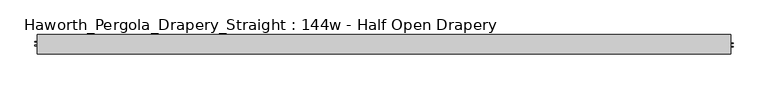
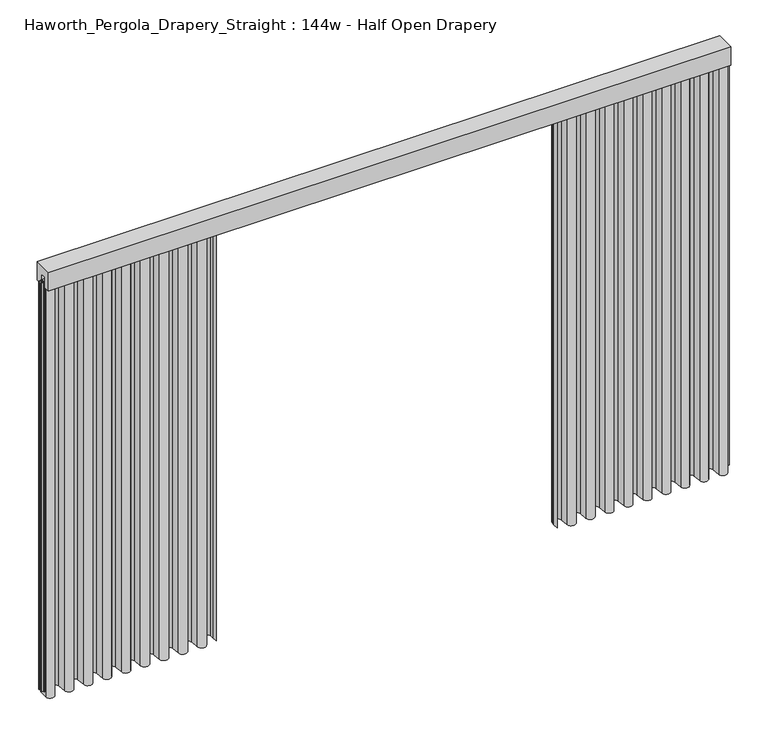
"""IFC4 building model written with IfcOpenShell, lengths in millimetres: furniture geometry, Haworth_Pergola_Drapery_Straight : 144w - Half Open Drapery."""

from ifc_helpers import new_model, si_unit, point, frame, frame_2d, origin, place, context, project, spatial, polyline, circle_curve, trimmed, segment, composite_curve, outline, extrude, source, transform, mapped, element, save


def haworth_pergola_drapery_straight_144w_half_open_drapery_b4fdcbc4(model_context):
    return source(origin(), model_context, "Body", "SweptSolid", [
        extrude(outline(polyline([(-50.8, 2438.4), (50.8, 2438.4), (50.8, 2331.8390625), (15.2182948, 2331.8390625), (15.2182948, 2388.7001663), (-15.2182948, 2388.7001663), (-15.2182948, 2331.8390625), (-50.8, 2331.8390625), (-50.8, 2438.4)])), frame((-1790.7, 0.0, 0.0), z_axis=(1.0, 0.0, 0.0), x_axis=(0.0, 1.0, 0.0)), (0.0, 0.0, 1.0), 3657.6),
        extrude(outline(composite_curve([segment(trimmed(circle_curve(frame_2d((1841.4970217, -20.9840165)), 23.4029783), [point((1864.9, -20.9840165))], [point((1818.1892377, -23.0927114))], False, "CARTESIAN"), True, "CONTINUOUS"), segment(polyline([(1818.1892377, -23.0927114), (1813.9895802, 23.3268581)]), True, "CONTINUOUS"), segment(trimmed(circle_curve(frame_2d((1790.7, 21.2198101)), 23.3847), [point((1813.9895802, 23.3268581))], [point((1767.4104196, 23.3268558))], True, "CARTESIAN"), True, "CONTINUOUS"), segment(polyline([(1767.4104196, 23.3268558), (1763.2203818, -22.9864352)]), True, "CONTINUOUS"), segment(trimmed(circle_curve(frame_2d((1739.9000023, -20.876603)), 23.415625), [point((1763.2203818, -22.9864352))], [point((1716.5796229, -22.9864375))], False, "CARTESIAN"), True, "CONTINUOUS"), segment(polyline([(1716.5796229, -22.9864375), (1712.4203794, 22.986429)]), True, "CONTINUOUS"), segment(trimmed(circle_curve(frame_2d((1689.1, 20.8765946)), 23.415625), [point((1712.4203794, 22.986429))], [point((1665.7796205, 22.9864268))], True, "CARTESIAN"), True, "CONTINUOUS"), segment(polyline([(1665.7796205, 22.9864268), (1661.6203818, -22.9864354)]), True, "CONTINUOUS"), segment(trimmed(circle_curve(frame_2d((1638.3000023, -20.8766032)), 23.415625), [point((1661.6203818, -22.9864354))], [point((1614.9796229, -22.9864377))], False, "CARTESIAN"), True, "CONTINUOUS"), segment(polyline([(1614.9796229, -22.9864377), (1610.8203794, 22.9864294)]), True, "CONTINUOUS"), segment(trimmed(circle_curve(frame_2d((1587.5, 20.876595)), 23.415625), [point((1610.8203794, 22.9864294))], [point((1564.1796205, 22.9864271))], True, "CARTESIAN"), True, "CONTINUOUS"), segment(polyline([(1564.1796205, 22.9864271), (1560.0203818, -22.9864352)]), True, "CONTINUOUS"), segment(trimmed(circle_curve(frame_2d((1536.7000023, -20.876603)), 23.415625), [point((1560.0203818, -22.9864352))], [point((1513.3796229, -22.9864375))], False, "CARTESIAN"), True, "CONTINUOUS"), segment(polyline([(1513.3796229, -22.9864375), (1509.1895802, 23.3268581)]), True, "CONTINUOUS"), segment(trimmed(circle_curve(frame_2d((1485.9, 21.2198101)), 23.3847), [point((1509.1895802, 23.3268581))], [point((1462.6104196, 23.3268558))], True, "CARTESIAN"), True, "CONTINUOUS"), segment(polyline([(1462.6104196, 23.3268558), (1458.4203818, -22.9864352)]), True, "CONTINUOUS"), segment(trimmed(circle_curve(frame_2d((1435.1000023, -20.876603)), 23.415625), [point((1458.4203818, -22.9864352))], [point((1411.7796229, -22.9864375))], False, "CARTESIAN"), True, "CONTINUOUS"), segment(polyline([(1411.7796229, -22.9864375), (1407.5895802, 23.3268581)]), True, "CONTINUOUS"), segment(trimmed(circle_curve(frame_2d((1384.3, 21.2198101)), 23.3847), [point((1407.5895802, 23.3268581))], [point((1361.0104196, 23.3268558))], True, "CARTESIAN"), True, "CONTINUOUS"), segment(polyline([(1361.0104196, 23.3268558), (1356.8203818, -22.9864352)]), True, "CONTINUOUS"), segment(trimmed(circle_curve(frame_2d((1333.5000023, -20.876603)), 23.415625), [point((1356.8203818, -22.9864352))], [point((1310.1796229, -22.9864375))], False, "CARTESIAN"), True, "CONTINUOUS"), segment(polyline([(1310.1796229, -22.9864375), (1305.9895802, 23.3268581)]), True, "CONTINUOUS"), segment(trimmed(circle_curve(frame_2d((1282.7, 21.2198101)), 23.3847), [point((1305.9895802, 23.3268581))], [point((1259.4104196, 23.3268558))], True, "CARTESIAN"), True, "CONTINUOUS"), segment(polyline([(1259.4104196, 23.3268558), (1255.2203818, -22.9864352)]), True, "CONTINUOUS"), segment(trimmed(circle_curve(frame_2d((1231.9000023, -20.876603)), 23.415625), [point((1255.2203818, -22.9864352))], [point((1208.5796229, -22.9864375))], False, "CARTESIAN"), True, "CONTINUOUS"), segment(polyline([(1208.5796229, -22.9864375), (1204.3895802, 23.3268581)]), True, "CONTINUOUS"), segment(trimmed(circle_curve(frame_2d((1181.1, 21.2198101)), 23.3847), [point((1204.3895802, 23.3268581))], [point((1157.8104196, 23.3268558))], True, "CARTESIAN"), True, "CONTINUOUS"), segment(polyline([(1157.8104196, 23.3268558), (1153.6203818, -22.9864352)]), True, "CONTINUOUS"), segment(trimmed(circle_curve(frame_2d((1130.3000023, -20.876603)), 23.415625), [point((1153.6203818, -22.9864352))], [point((1106.9796229, -22.9864375))], False, "CARTESIAN"), True, "CONTINUOUS"), segment(polyline([(1106.9796229, -22.9864375), (1102.7895802, 23.3268581)]), True, "CONTINUOUS"), segment(trimmed(circle_curve(frame_2d((1079.5, 21.2198101)), 23.3847), [point((1102.7895802, 23.3268581))], [point((1056.2104196, 23.3268558))], True, "CARTESIAN"), True, "CONTINUOUS"), segment(polyline([(1056.2104196, 23.3268558), (1052.0203818, -22.9864352)]), True, "CONTINUOUS"), segment(trimmed(circle_curve(frame_2d((1028.7000023, -20.876603)), 23.415625), [point((1052.0203818, -22.9864352))], [point((1005.3796229, -22.9864375))], False, "CARTESIAN"), True, "CONTINUOUS"), segment(polyline([(1005.3796229, -22.9864375), (1001.1895802, 23.3268581)]), True, "CONTINUOUS"), segment(trimmed(circle_curve(frame_2d((977.9, 21.2198101)), 23.3847), [point((1001.1895802, 23.3268581))], [point((954.6104196, 23.3268558))], True, "CARTESIAN"), True, "CONTINUOUS"), segment(polyline([(954.6104196, 23.3268558), (952.9308594, 4.7623547), (952.9308594, -25.4000007), (952.1371094, -25.4000007), (952.1371094, 4.7981874), (953.8198983, 23.3983756)]), True, "CONTINUOUS"), segment(trimmed(circle_curve(frame_2d((977.9, 21.2198101)), 24.17845), [point((953.8198983, 23.3983756))], [point((1001.9801015, 23.3983779))], False, "CARTESIAN"), True, "CONTINUOUS"), segment(polyline([(1001.9801015, 23.3983779), (1006.1701443, -22.9149177)]), True, "CONTINUOUS"), segment(trimmed(circle_curve(frame_2d((1028.7000023, -20.876603)), 22.621875), [point((1006.1701443, -22.9149177))], [point((1051.2298605, -22.9149155))], True, "CARTESIAN"), True, "CONTINUOUS"), segment(polyline([(1051.2298605, -22.9149155), (1055.4198983, 23.3983756)]), True, "CONTINUOUS"), segment(trimmed(circle_curve(frame_2d((1079.5, 21.2198101)), 24.17845), [point((1055.4198983, 23.3983756))], [point((1103.5801015, 23.3983779))], False, "CARTESIAN"), True, "CONTINUOUS"), segment(polyline([(1103.5801015, 23.3983779), (1107.7701443, -22.9149177)]), True, "CONTINUOUS"), segment(trimmed(circle_curve(frame_2d((1130.3000023, -20.876603)), 22.621875), [point((1107.7701443, -22.9149177))], [point((1152.8298605, -22.9149155))], True, "CARTESIAN"), True, "CONTINUOUS"), segment(polyline([(1152.8298605, -22.9149155), (1157.0198983, 23.3983756)]), True, "CONTINUOUS"), segment(trimmed(circle_curve(frame_2d((1181.1, 21.2198101)), 24.17845), [point((1157.0198983, 23.3983756))], [point((1205.1801015, 23.3983779))], False, "CARTESIAN"), True, "CONTINUOUS"), segment(polyline([(1205.1801015, 23.3983779), (1209.3701443, -22.9149177)]), True, "CONTINUOUS"), segment(trimmed(circle_curve(frame_2d((1231.9000023, -20.876603)), 22.621875), [point((1209.3701443, -22.9149177))], [point((1254.4298605, -22.9149155))], True, "CARTESIAN"), True, "CONTINUOUS"), segment(polyline([(1254.4298605, -22.9149155), (1258.6198983, 23.3983756)]), True, "CONTINUOUS"), segment(trimmed(circle_curve(frame_2d((1282.7, 21.2198101)), 24.17845), [point((1258.6198983, 23.3983756))], [point((1306.7801015, 23.3983779))], False, "CARTESIAN"), True, "CONTINUOUS"), segment(polyline([(1306.7801015, 23.3983779), (1310.9701443, -22.9149177)]), True, "CONTINUOUS"), segment(trimmed(circle_curve(frame_2d((1333.5000023, -20.876603)), 22.621875), [point((1310.9701443, -22.9149177))], [point((1356.0298605, -22.9149155))], True, "CARTESIAN"), True, "CONTINUOUS"), segment(polyline([(1356.0298605, -22.9149155), (1360.2198983, 23.3983756)]), True, "CONTINUOUS"), segment(trimmed(circle_curve(frame_2d((1384.3, 21.2198101)), 24.17845), [point((1360.2198983, 23.3983756))], [point((1408.3801015, 23.3983779))], False, "CARTESIAN"), True, "CONTINUOUS"), segment(polyline([(1408.3801015, 23.3983779), (1412.5701443, -22.9149177)]), True, "CONTINUOUS"), segment(trimmed(circle_curve(frame_2d((1435.1000023, -20.876603)), 22.621875), [point((1412.5701443, -22.9149177))], [point((1457.6298605, -22.9149155))], True, "CARTESIAN"), True, "CONTINUOUS"), segment(polyline([(1457.6298605, -22.9149155), (1461.8198983, 23.3983756)]), True, "CONTINUOUS"), segment(trimmed(circle_curve(frame_2d((1485.9, 21.2198101)), 24.17845), [point((1461.8198983, 23.3983756))], [point((1509.9801015, 23.3983779))], False, "CARTESIAN"), True, "CONTINUOUS"), segment(polyline([(1509.9801015, 23.3983779), (1514.1701443, -22.9149177)]), True, "CONTINUOUS"), segment(trimmed(circle_curve(frame_2d((1536.7000023, -20.876603)), 22.621875), [point((1514.1701443, -22.9149177))], [point((1559.2298605, -22.9149155))], True, "CARTESIAN"), True, "CONTINUOUS"), segment(polyline([(1559.2298605, -22.9149155), (1563.3890991, 23.0579469)]), True, "CONTINUOUS"), segment(trimmed(circle_curve(frame_2d((1587.5, 20.876595)), 24.209375), [point((1563.3890991, 23.0579469))], [point((1611.6109007, 23.0579492))], False, "CARTESIAN"), True, "CONTINUOUS"), segment(polyline([(1611.6109007, 23.0579492), (1615.7701443, -22.9149178)]), True, "CONTINUOUS"), segment(trimmed(circle_curve(frame_2d((1638.3000023, -20.8766032)), 22.621875), [point((1615.7701443, -22.9149178))], [point((1660.8298605, -22.9149157))], True, "CARTESIAN"), True, "CONTINUOUS"), segment(polyline([(1660.8298605, -22.9149157), (1664.9890991, 23.0579465)]), True, "CONTINUOUS"), segment(trimmed(circle_curve(frame_2d((1689.1, 20.8765946)), 24.209375), [point((1664.9890991, 23.0579465))], [point((1713.2109007, 23.0579488))], False, "CARTESIAN"), True, "CONTINUOUS"), segment(polyline([(1713.2109007, 23.0579488), (1717.3701443, -22.9149177)]), True, "CONTINUOUS"), segment(trimmed(circle_curve(frame_2d((1739.9000023, -20.876603)), 22.621875), [point((1717.3701443, -22.9149177))], [point((1762.4298605, -22.9149155))], True, "CARTESIAN"), True, "CONTINUOUS"), segment(polyline([(1762.4298605, -22.9149155), (1766.6198983, 23.3983756)]), True, "CONTINUOUS"), segment(trimmed(circle_curve(frame_2d((1790.7, 21.2198101)), 24.17845), [point((1766.6198983, 23.3983756))], [point((1814.7801015, 23.3983779))], False, "CARTESIAN"), True, "CONTINUOUS"), segment(polyline([(1814.7801015, 23.3983779), (1818.979759, -23.0211916)]), True, "CONTINUOUS"), segment(trimmed(circle_curve(frame_2d((1841.4970217, -20.9840165)), 22.6092283), [point((1818.979759, -23.0211916))], [point((1864.10625, -20.9840165))], True, "CARTESIAN"), True, "CONTINUOUS"), segment(polyline([(1864.10625, -20.9840165), (1864.10625, 25.4000008), (1864.9, 25.4000008), (1864.9, -20.9840165)]), True, "CONTINUOUS")], self_intersect=False)), frame((0.0, 0.0, 12.7), z_axis=(0.0, 0.0, 1.0), x_axis=(1.0, 0.0, 0.0)), (0.0, 0.0, 1.0), 2343.15),
        extrude(outline(composite_curve([segment(polyline([(-1788.7, -20.9840165), (-1788.7, 25.4000008), (-1787.90625, 25.4000008), (-1787.90625, -20.9840165)]), True, "CONTINUOUS"), segment(trimmed(circle_curve(frame_2d((-1765.2970217, -20.9840165)), 22.6092283), [point((-1787.90625, -20.9840165))], [point((-1742.779759, -23.0211916))], True, "CARTESIAN"), True, "CONTINUOUS"), segment(polyline([(-1742.779759, -23.0211916), (-1738.5801015, 23.3983779)]), True, "CONTINUOUS"), segment(trimmed(circle_curve(frame_2d((-1714.5, 21.2198101)), 24.17845), [point((-1738.5801015, 23.3983779))], [point((-1690.4198983, 23.3983756))], False, "CARTESIAN"), True, "CONTINUOUS"), segment(polyline([(-1690.4198983, 23.3983756), (-1686.2298605, -22.9149155)]), True, "CONTINUOUS"), segment(trimmed(circle_curve(frame_2d((-1663.7000023, -20.876603)), 22.621875), [point((-1686.2298605, -22.9149155))], [point((-1641.1701443, -22.9149177))], True, "CARTESIAN"), True, "CONTINUOUS"), segment(polyline([(-1641.1701443, -22.9149177), (-1637.0109007, 23.0579488)]), True, "CONTINUOUS"), segment(trimmed(circle_curve(frame_2d((-1612.9, 20.8765946)), 24.209375), [point((-1637.0109007, 23.0579488))], [point((-1588.7890991, 23.0579465))], False, "CARTESIAN"), True, "CONTINUOUS"), segment(polyline([(-1588.7890991, 23.0579465), (-1584.6298605, -22.9149157)]), True, "CONTINUOUS"), segment(trimmed(circle_curve(frame_2d((-1562.1000023, -20.8766032)), 22.621875), [point((-1584.6298605, -22.9149157))], [point((-1539.5701443, -22.9149178))], True, "CARTESIAN"), True, "CONTINUOUS"), segment(polyline([(-1539.5701443, -22.9149178), (-1535.4109007, 23.0579492)]), True, "CONTINUOUS"), segment(trimmed(circle_curve(frame_2d((-1511.3, 20.876595)), 24.209375), [point((-1535.4109007, 23.0579492))], [point((-1487.1890991, 23.0579469))], False, "CARTESIAN"), True, "CONTINUOUS"), segment(polyline([(-1487.1890991, 23.0579469), (-1483.0298605, -22.9149155)]), True, "CONTINUOUS"), segment(trimmed(circle_curve(frame_2d((-1460.5000023, -20.876603)), 22.621875), [point((-1483.0298605, -22.9149155))], [point((-1437.9701443, -22.9149177))], True, "CARTESIAN"), True, "CONTINUOUS"), segment(polyline([(-1437.9701443, -22.9149177), (-1433.7801015, 23.3983779)]), True, "CONTINUOUS"), segment(trimmed(circle_curve(frame_2d((-1409.7, 21.2198101)), 24.17845), [point((-1433.7801015, 23.3983779))], [point((-1385.6198983, 23.3983756))], False, "CARTESIAN"), True, "CONTINUOUS"), segment(polyline([(-1385.6198983, 23.3983756), (-1381.4298605, -22.9149155)]), True, "CONTINUOUS"), segment(trimmed(circle_curve(frame_2d((-1358.9000023, -20.876603)), 22.621875), [point((-1381.4298605, -22.9149155))], [point((-1336.3701443, -22.9149177))], True, "CARTESIAN"), True, "CONTINUOUS"), segment(polyline([(-1336.3701443, -22.9149177), (-1332.1801015, 23.3983779)]), True, "CONTINUOUS"), segment(trimmed(circle_curve(frame_2d((-1308.1, 21.2198101)), 24.17845), [point((-1332.1801015, 23.3983779))], [point((-1284.0198983, 23.3983756))], False, "CARTESIAN"), True, "CONTINUOUS"), segment(polyline([(-1284.0198983, 23.3983756), (-1279.8298605, -22.9149155)]), True, "CONTINUOUS"), segment(trimmed(circle_curve(frame_2d((-1257.3000023, -20.876603)), 22.621875), [point((-1279.8298605, -22.9149155))], [point((-1234.7701443, -22.9149177))], True, "CARTESIAN"), True, "CONTINUOUS"), segment(polyline([(-1234.7701443, -22.9149177), (-1230.5801015, 23.3983779)]), True, "CONTINUOUS"), segment(trimmed(circle_curve(frame_2d((-1206.5, 21.2198101)), 24.17845), [point((-1230.5801015, 23.3983779))], [point((-1182.4198983, 23.3983756))], False, "CARTESIAN"), True, "CONTINUOUS"), segment(polyline([(-1182.4198983, 23.3983756), (-1178.2298605, -22.9149155)]), True, "CONTINUOUS"), segment(trimmed(circle_curve(frame_2d((-1155.7000023, -20.876603)), 22.621875), [point((-1178.2298605, -22.9149155))], [point((-1133.1701443, -22.9149177))], True, "CARTESIAN"), True, "CONTINUOUS"), segment(polyline([(-1133.1701443, -22.9149177), (-1128.9801015, 23.3983779)]), True, "CONTINUOUS"), segment(trimmed(circle_curve(frame_2d((-1104.9, 21.2198101)), 24.17845), [point((-1128.9801015, 23.3983779))], [point((-1080.8198983, 23.3983756))], False, "CARTESIAN"), True, "CONTINUOUS"), segment(polyline([(-1080.8198983, 23.3983756), (-1076.6298605, -22.9149155)]), True, "CONTINUOUS"), segment(trimmed(circle_curve(frame_2d((-1054.1000023, -20.876603)), 22.621875), [point((-1076.6298605, -22.9149155))], [point((-1031.5701443, -22.9149177))], True, "CARTESIAN"), True, "CONTINUOUS"), segment(polyline([(-1031.5701443, -22.9149177), (-1027.3801015, 23.3983779)]), True, "CONTINUOUS"), segment(trimmed(circle_curve(frame_2d((-1003.3, 21.2198101)), 24.17845), [point((-1027.3801015, 23.3983779))], [point((-979.2198983, 23.3983756))], False, "CARTESIAN"), True, "CONTINUOUS"), segment(polyline([(-979.2198983, 23.3983756), (-975.0298605, -22.9149155)]), True, "CONTINUOUS"), segment(trimmed(circle_curve(frame_2d((-952.5000023, -20.876603)), 22.621875), [point((-975.0298605, -22.9149155))], [point((-929.9701443, -22.9149177))], True, "CARTESIAN"), True, "CONTINUOUS"), segment(polyline([(-929.9701443, -22.9149177), (-925.7801015, 23.3983779)]), True, "CONTINUOUS"), segment(trimmed(circle_curve(frame_2d((-901.7, 21.2198101)), 24.17845), [point((-925.7801015, 23.3983779))], [point((-877.6198983, 23.3983756))], False, "CARTESIAN"), True, "CONTINUOUS"), segment(polyline([(-877.6198983, 23.3983756), (-875.9371094, 4.7981874), (-875.9371094, -25.4000007), (-876.7308594, -25.4000007), (-876.7308594, 4.7623547), (-878.4104196, 23.3268558)]), True, "CONTINUOUS"), segment(trimmed(circle_curve(frame_2d((-901.7, 21.2198101)), 23.3847), [point((-878.4104196, 23.3268558))], [point((-924.9895802, 23.3268581))], True, "CARTESIAN"), True, "CONTINUOUS"), segment(polyline([(-924.9895802, 23.3268581), (-929.1796229, -22.9864375)]), True, "CONTINUOUS"), segment(trimmed(circle_curve(frame_2d((-952.5000023, -20.876603)), 23.415625), [point((-929.1796229, -22.9864375))], [point((-975.8203818, -22.9864352))], False, "CARTESIAN"), True, "CONTINUOUS"), segment(polyline([(-975.8203818, -22.9864352), (-980.0104196, 23.3268558)]), True, "CONTINUOUS"), segment(trimmed(circle_curve(frame_2d((-1003.3, 21.2198101)), 23.3847), [point((-980.0104196, 23.3268558))], [point((-1026.5895802, 23.3268581))], True, "CARTESIAN"), True, "CONTINUOUS"), segment(polyline([(-1026.5895802, 23.3268581), (-1030.7796229, -22.9864375)]), True, "CONTINUOUS"), segment(trimmed(circle_curve(frame_2d((-1054.1000023, -20.876603)), 23.415625), [point((-1030.7796229, -22.9864375))], [point((-1077.4203818, -22.9864352))], False, "CARTESIAN"), True, "CONTINUOUS"), segment(polyline([(-1077.4203818, -22.9864352), (-1081.6104196, 23.3268558)]), True, "CONTINUOUS"), segment(trimmed(circle_curve(frame_2d((-1104.9, 21.2198101)), 23.3847), [point((-1081.6104196, 23.3268558))], [point((-1128.1895802, 23.3268581))], True, "CARTESIAN"), True, "CONTINUOUS"), segment(polyline([(-1128.1895802, 23.3268581), (-1132.3796229, -22.9864375)]), True, "CONTINUOUS"), segment(trimmed(circle_curve(frame_2d((-1155.7000023, -20.876603)), 23.415625), [point((-1132.3796229, -22.9864375))], [point((-1179.0203818, -22.9864352))], False, "CARTESIAN"), True, "CONTINUOUS"), segment(polyline([(-1179.0203818, -22.9864352), (-1183.2104196, 23.3268558)]), True, "CONTINUOUS"), segment(trimmed(circle_curve(frame_2d((-1206.5, 21.2198101)), 23.3847), [point((-1183.2104196, 23.3268558))], [point((-1229.7895802, 23.3268581))], True, "CARTESIAN"), True, "CONTINUOUS"), segment(polyline([(-1229.7895802, 23.3268581), (-1233.9796229, -22.9864375)]), True, "CONTINUOUS"), segment(trimmed(circle_curve(frame_2d((-1257.3000023, -20.876603)), 23.415625), [point((-1233.9796229, -22.9864375))], [point((-1280.6203818, -22.9864352))], False, "CARTESIAN"), True, "CONTINUOUS"), segment(polyline([(-1280.6203818, -22.9864352), (-1284.8104196, 23.3268558)]), True, "CONTINUOUS"), segment(trimmed(circle_curve(frame_2d((-1308.1, 21.2198101)), 23.3847), [point((-1284.8104196, 23.3268558))], [point((-1331.3895802, 23.3268581))], True, "CARTESIAN"), True, "CONTINUOUS"), segment(polyline([(-1331.3895802, 23.3268581), (-1335.5796229, -22.9864375)]), True, "CONTINUOUS"), segment(trimmed(circle_curve(frame_2d((-1358.9000023, -20.876603)), 23.415625), [point((-1335.5796229, -22.9864375))], [point((-1382.2203818, -22.9864352))], False, "CARTESIAN"), True, "CONTINUOUS"), segment(polyline([(-1382.2203818, -22.9864352), (-1386.4104196, 23.3268558)]), True, "CONTINUOUS"), segment(trimmed(circle_curve(frame_2d((-1409.7, 21.2198101)), 23.3847), [point((-1386.4104196, 23.3268558))], [point((-1432.9895802, 23.3268581))], True, "CARTESIAN"), True, "CONTINUOUS"), segment(polyline([(-1432.9895802, 23.3268581), (-1437.1796229, -22.9864375)]), True, "CONTINUOUS"), segment(trimmed(circle_curve(frame_2d((-1460.5000023, -20.876603)), 23.415625), [point((-1437.1796229, -22.9864375))], [point((-1483.8203818, -22.9864352))], False, "CARTESIAN"), True, "CONTINUOUS"), segment(polyline([(-1483.8203818, -22.9864352), (-1487.9796205, 22.9864271)]), True, "CONTINUOUS"), segment(trimmed(circle_curve(frame_2d((-1511.3, 20.876595)), 23.415625), [point((-1487.9796205, 22.9864271))], [point((-1534.6203794, 22.9864294))], True, "CARTESIAN"), True, "CONTINUOUS"), segment(polyline([(-1534.6203794, 22.9864294), (-1538.7796229, -22.9864377)]), True, "CONTINUOUS"), segment(trimmed(circle_curve(frame_2d((-1562.1000023, -20.8766032)), 23.415625), [point((-1538.7796229, -22.9864377))], [point((-1585.4203818, -22.9864354))], False, "CARTESIAN"), True, "CONTINUOUS"), segment(polyline([(-1585.4203818, -22.9864354), (-1589.5796205, 22.9864268)]), True, "CONTINUOUS"), segment(trimmed(circle_curve(frame_2d((-1612.9, 20.8765946)), 23.415625), [point((-1589.5796205, 22.9864268))], [point((-1636.2203794, 22.986429))], True, "CARTESIAN"), True, "CONTINUOUS"), segment(polyline([(-1636.2203794, 22.986429), (-1640.3796229, -22.9864375)]), True, "CONTINUOUS"), segment(trimmed(circle_curve(frame_2d((-1663.7000023, -20.876603)), 23.415625), [point((-1640.3796229, -22.9864375))], [point((-1687.0203818, -22.9864352))], False, "CARTESIAN"), True, "CONTINUOUS"), segment(polyline([(-1687.0203818, -22.9864352), (-1691.2104196, 23.3268558)]), True, "CONTINUOUS"), segment(trimmed(circle_curve(frame_2d((-1714.5, 21.2198101)), 23.3847), [point((-1691.2104196, 23.3268558))], [point((-1737.7895802, 23.3268581))], True, "CARTESIAN"), True, "CONTINUOUS"), segment(polyline([(-1737.7895802, 23.3268581), (-1741.9892377, -23.0927114)]), True, "CONTINUOUS"), segment(trimmed(circle_curve(frame_2d((-1765.2970217, -20.9840165)), 23.4029783), [point((-1741.9892377, -23.0927114))], [point((-1788.7, -20.9840165))], False, "CARTESIAN"), True, "CONTINUOUS")], self_intersect=False)), frame((0.0, 0.0, 12.7), z_axis=(0.0, 0.0, 1.0), x_axis=(1.0, 0.0, 0.0)), (0.0, 0.0, 1.0), 2343.15),
        extrude(outline(polyline([(-1790.7, -15.2249995), (-1790.7, 15.2249996), (1866.9, 15.2249996), (1866.9, -15.2249995), (-1790.7, -15.2249995)])), frame((0.0, 0.0, 2355.85), z_axis=(0.0, 0.0, 1.0), x_axis=(1.0, 0.0, 0.0)), (0.0, 0.0, 1.0), 1.7500385),
        extrude(outline(polyline([(1866.9, -15.2249996), (1866.9, 15.2249995), (1868.6500001, 15.2249995), (1868.6500001, 7.8249998), (1880.2999997, 7.8249998), (1880.2999997, 4.8250001), (1868.6500001, 4.8250001), (1868.6500001, -11.8250005), (1880.1499997, -11.8250005), (1880.1499997, -13.3999997), (1868.6500001, -13.3999997), (1868.6500001, -15.2249996), (1866.9, -15.2249996)])), frame((0.0, 0.0, 38.1), z_axis=(0.0, 0.0, 1.0), x_axis=(1.0, 0.0, 0.0)), (0.0, 0.0, 1.0), 2317.75),
        extrude(outline(polyline([(-1790.7, 15.2249996), (-1790.7, -15.2249995), (-1792.4500001, -15.2249995), (-1792.4500001, -7.8249998), (-1804.0999997, -7.8249998), (-1804.0999997, -4.8250001), (-1792.4500001, -4.8250001), (-1792.4500001, 11.8250005), (-1803.9499997, 11.8250005), (-1803.9499997, 13.3999997), (-1792.4500001, 13.3999997), (-1792.4500001, 15.2249996), (-1790.7, 15.2249996)])), frame((0.0, 0.0, 38.1), z_axis=(0.0, 0.0, 1.0), x_axis=(1.0, 0.0, 0.0)), (0.0, 0.0, 1.0), 2317.75),
        extrude(outline(composite_curve([segment(trimmed(circle_curve(frame_2d((38.1000001, 1e-07)), 6.0), [point((32.1000001, 1e-07))], [point((44.1000001, 1e-07))], False, "CARTESIAN"), True, "CONTINUOUS"), segment(trimmed(circle_curve(frame_2d((38.1000001, 1e-07)), 6.0), [point((44.1000001, 1e-07))], [point((32.1000001, 1e-07))], False, "CARTESIAN"), True, "CONTINUOUS")], self_intersect=False)), frame((0.0, 0.0, 2319.1390625), z_axis=(0.0, 0.0, 1.0), x_axis=(1.0, 0.0, 0.0)), (0.0, 0.0, 1.0), 36.7109375),
    ])


if __name__ == "__main__":
    model = new_model("IFC4")
    model_context = context("Model", 3, world=origin())
    ifc_project = project(units=[si_unit("LENGTHUNIT", "METRE", prefix="MILLI")], contexts=[model_context])
    site = spatial("IfcSite", under=ifc_project)
    building = spatial("IfcBuilding", under=site)
    placement = place(None, origin())
    haworth_pergola_drapery_straight_144w_half_open_drapery_shape = haworth_pergola_drapery_straight_144w_half_open_drapery_b4fdcbc4(model_context)
    element("IfcFurniture", 1, ObjectType="Haworth_Pergola_Drapery_Straight : 144w - Half Open Drapery", at=placement, inside=building, context=model_context, shape_type="MappedRepresentation", body=[
        mapped(haworth_pergola_drapery_straight_144w_half_open_drapery_shape, transform((0.0, 0.0, 0.0), x_axis=(1.0, 0.0, 0.0), y_axis=(0.0, 1.0, 0.0), z_axis=(0.0, 0.0, 1.0))),
    ])
    save(model, "model.ifc")
